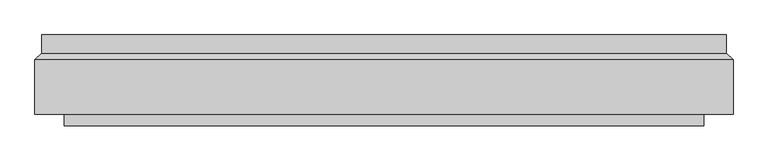
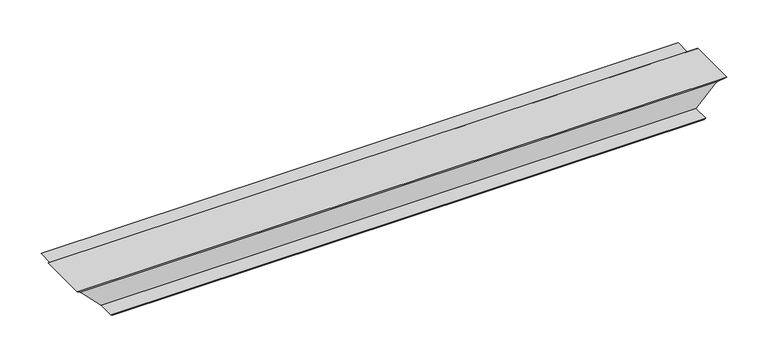
"""IFC4 building model written with IfcOpenShell, lengths in millimetres: proxy geometry."""

from ifc_helpers import new_model, si_unit, origin, place, context, project, spatial, faceted_brep, source, transform, mapped, element, save


def generic_models_5d04dc13(model_context):
    return source(origin(), model_context, "Body", "Brep", [
        faceted_brep([(0.0, -2.0, 0.0), (0.0, -3.0, 0.0), (-5.0, -3.0, 5.0), (-19.8492424, -17.8492424, 19.8492424), (-19.8492424, 102.1507576, 19.8492424), (-5.0, 117.0, 5.0), (-5.0, 157.0, 5.0), (-2.0, 157.0, 2.0), (-2.0, 147.0, 2.0), (-3.0, 147.0, 3.0), (-3.0, 156.0, 3.0), (-4.0, 156.0, 4.0), (-4.0, 116.5857864, 4.0), (-18.8492424, 101.736544, 18.8492424), (-18.8492424, -15.4350288, 18.8492424), (-5.4142136, -2.0, 5.4142136), (46.0, -2.0, -46.0), (46.0, -42.0, -46.0), (47.0, -42.0, -47.0), (47.0, -33.0, -47.0), (48.0, -33.0, -48.0), (48.0, -43.0, -48.0), (45.0, -43.0, -45.0), (45.0, -3.0, -45.0), (1500.0, -3.0, 0.0), (1500.0, -2.0, 0.0), (1505.4142136, -2.0, 5.4142136), (1518.8492424, -15.4350288, 18.8492424), (1518.8492424, 101.736544, 18.8492424), (1504.0, 116.5857864, 4.0), (1504.0, 156.0, 4.0), (1503.0, 156.0, 3.0), (1503.0, 147.0, 3.0), (1502.0, 147.0, 2.0), (1502.0, 157.0, 2.0), (1505.0, 157.0, 5.0), (1505.0, 117.0, 5.0), (1519.8492424, 102.1507576, 19.8492424), (1519.8492424, -17.8492424, 19.8492424), (1505.0, -3.0, 5.0), (1455.0, -3.0, -45.0), (1455.0, -43.0, -45.0), (1452.0, -43.0, -48.0), (1452.0, -33.0, -48.0), (1453.0, -33.0, -47.0), (1453.0, -42.0, -47.0), (1454.0, -42.0, -46.0), (1454.0, -2.0, -46.0)], [[[0, 1, 2, 3, 4, 5, 6, 7, 8, 9, 10, 11, 12, 13, 14, 15]], [[1, 0, 16, 17, 18, 19, 20, 21, 22, 23]], [[24, 25, 26, 27, 28, 29, 30, 31, 32, 33, 34, 35, 36, 37, 38, 39]], [[25, 24, 40, 41, 42, 43, 44, 45, 46, 47]], [[4, 3, 38, 37]], [[2, 1, 23, 40, 24, 39]], [[3, 2, 39, 38]], [[23, 22, 41, 40]], [[22, 21, 42, 41]], [[11, 10, 31, 30]], [[21, 20, 43, 42]], [[19, 18, 45, 44]], [[18, 17, 46, 45]], [[17, 16, 47, 46]], [[0, 15, 26, 25, 47, 16]], [[15, 14, 27, 26]], [[14, 13, 28, 27]], [[13, 12, 29, 28]], [[12, 11, 30, 29]], [[10, 9, 32, 31]], [[8, 7, 34, 33]], [[7, 6, 35, 34]], [[6, 5, 36, 35]], [[5, 4, 37, 36]], [[9, 8, 33, 32]], [[20, 19, 44, 43]]]),
    ])


if __name__ == "__main__":
    model = new_model("IFC4")
    model_context = context("Model", 3, world=origin())
    ifc_project = project(units=[si_unit("LENGTHUNIT", "METRE", prefix="MILLI")], contexts=[model_context])
    site = spatial("IfcSite", under=ifc_project)
    building = spatial("IfcBuilding", under=site)
    placement = place(None, origin())
    generic_models_shape = generic_models_5d04dc13(model_context)
    element("IfcBuildingElementProxy", 1, Name="Generic Models", at=placement, inside=building, context=model_context, shape_type="MappedRepresentation", body=[
        mapped(generic_models_shape, transform((0.0, 0.0, 0.0), x_axis=(1.0, 0.0, 0.0), y_axis=(0.0, 1.0, 0.0), z_axis=(0.0, 0.0, 1.0))),
    ])
    save(model, "model.ifc")
